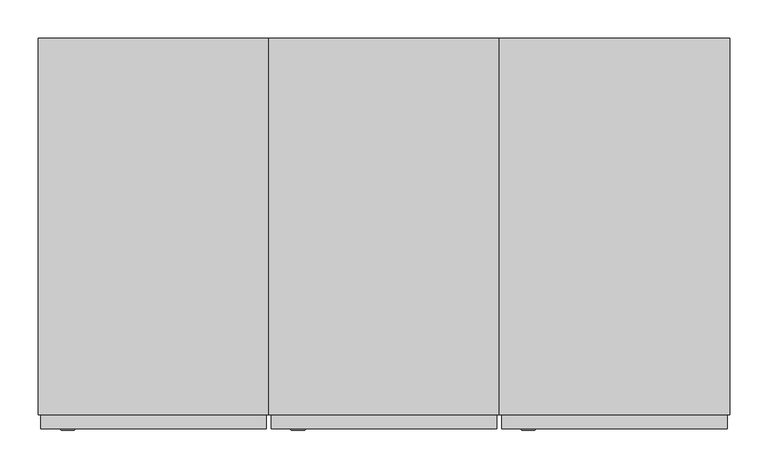
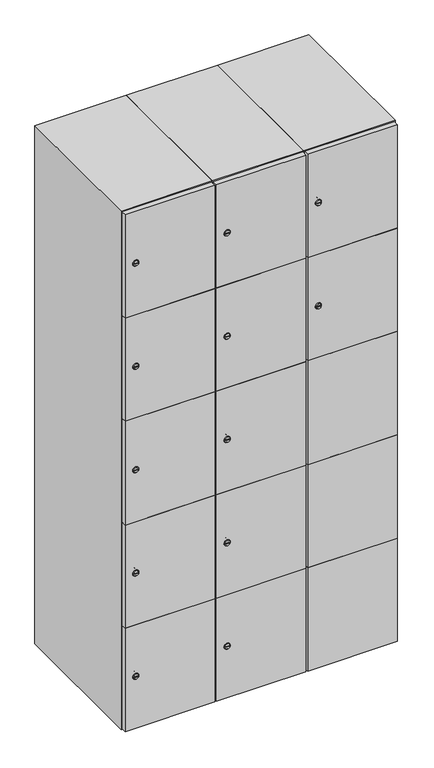
"""IFC4 building model written with IfcOpenShell, lengths in millimetres: furniture geometry."""

from ifc_helpers import new_model, si_unit, point, frame, frame_2d, origin, place, context, project, spatial, polyline, circle_curve, trimmed, segment, composite_curve, outline, extrude, faceted_brep, source, transform, mapped, element, save
from ifc_brep_helpers import plane_surface, revolved_surface, advanced_brep


def furniture_d9d6f1e8(model_context):
    return source(origin(), model_context, "Body", "SolidModel", [
        advanced_brep(
        [(446.5, -265.2, 1358.8), (429.5, -265.2, 1358.8), (433.0, -265.2, 1357.55), (433.0, -265.2, 1360.05), (443.0, -265.2, 1360.05), (443.0, -265.2, 1357.55), (448.5, -263.0, 1358.8), (427.5, -263.0, 1358.8), (433.0, -263.0, 1360.05), (433.0, -263.0, 1357.55), (443.0, -263.0, 1357.55), (443.0, -263.0, 1360.05)],
        [
            (0, 1, circle_curve(frame((438.0, -265.2, 1358.8), z_axis=(0.0, -1.0, 0.0), x_axis=(1.0, 0.0, 0.0)), 8.5)),
            (1, 0, circle_curve(frame((438.0, -265.2, 1358.8), z_axis=(0.0, -1.0, 0.0), x_axis=(-1.0, 0.0, 0.0)), 8.5)),
            (2, 3),
            (3, 4),
            (4, 5),
            (5, 2),
            (6, 7, circle_curve(frame((438.0, -263.0, 1358.8), z_axis=(0.0, 1.0, 0.0), x_axis=(-1.0, 0.0, 0.0)), 10.5)),
            (7, 6, circle_curve(frame((438.0, -263.0, 1358.8), z_axis=(0.0, 1.0, 0.0), x_axis=(1.0, 0.0, 0.0)), 10.5)),
            (8, 9),
            (9, 10),
            (10, 11),
            (11, 8),
            (0, 6),
            (7, 1),
            (8, 3),
            (2, 9),
            (11, 4),
            (10, 5),
        ],
        [
            plane_surface(frame((438.0, -265.2, 1358.8), z_axis=(0.0, -1.0, 0.0), x_axis=(0.0, 0.0, 1.0))),
            plane_surface(frame((438.0, -263.0, 1358.8), z_axis=(0.0, 1.0, 0.0), x_axis=(0.0, 0.0, 1.0))),
            revolved_surface(polyline([(446.5, -265.2, 1358.8), (448.5, -263.0, 1358.8)]), (438.0, -274.55, 1358.8), (0.0, 1.0, 0.0)),
            revolved_surface(polyline([(429.5, -265.2, 1358.8), (427.5, -263.0, 1358.8)]), (438.0, -274.55, 1358.8), (0.0, 1.0, 0.0)),
            plane_surface(frame((433.0, -263.0, 1357.55), z_axis=(1.0, 0.0, 0.0), x_axis=(0.0, -1.0, 0.0))),
            plane_surface(frame((433.0, -263.0, 1360.05), z_axis=(0.0, 0.0, -1.0), x_axis=(0.0, -1.0, 0.0))),
            plane_surface(frame((443.0, -263.0, 1360.05), z_axis=(-1.0, 0.0, 0.0), x_axis=(0.0, -1.0, 0.0))),
            plane_surface(frame((443.0, -263.0, 1357.55), z_axis=(0.0, 0.0, 1.0), x_axis=(0.0, -1.0, 0.0))),
        ],
        [
            (0, [[1, 2], [3, 4, 5, 6]]),
            (1, [[7, 8], [9, 10, 11, 12]]),
            (2, [[-1, 13, -8, 14]]),
            (3, [[-2, -14, -7, -13]]),
            (4, [[15, -3, 16, -9]]),
            (5, [[-15, -12, 17, -4]]),
            (6, [[-17, -11, 18, -5]]),
            (7, [[-16, -6, -18, -10]]),
        ],
    ),
        extrude(outline(composite_curve([segment(trimmed(circle_curve(frame_2d((1717.6, 411.2010534)), 7.0), [point((1724.6, 411.2010534))], [point((1710.6, 411.2010534))], False, "CARTESIAN"), True, "CONTINUOUS"), segment(polyline([(1710.6, 411.2010534), (1710.6, 439.2010534)]), True, "CONTINUOUS"), segment(trimmed(circle_curve(frame_2d((1717.6, 439.2010534)), 7.0), [point((1710.6, 439.2010534))], [point((1724.6, 439.2010534))], False, "CARTESIAN"), True, "CONTINUOUS"), segment(polyline([(1724.6, 439.2010534), (1724.6, 411.2010534)]), True, "CONTINUOUS")], self_intersect=False)), frame((0.0, -245.0, 0.0), z_axis=(0.0, 1.0, 0.0), x_axis=(0.0, 0.0, 1.0)), (0.0, 0.0, 1.0), 2.0),
        advanced_brep(
        [(446.5, -265.2, 1717.6), (429.5, -265.2, 1717.6), (433.0, -265.2, 1716.35), (433.0, -265.2, 1718.85), (443.0, -265.2, 1718.85), (443.0, -265.2, 1716.35), (448.5, -263.0, 1717.6), (427.5, -263.0, 1717.6), (433.0, -263.0, 1718.85), (433.0, -263.0, 1716.35), (443.0, -263.0, 1716.35), (443.0, -263.0, 1718.85)],
        [
            (0, 1, circle_curve(frame((438.0, -265.2, 1717.6), z_axis=(0.0, -1.0, 0.0), x_axis=(1.0, 0.0, 0.0)), 8.5)),
            (1, 0, circle_curve(frame((438.0, -265.2, 1717.6), z_axis=(0.0, -1.0, 0.0), x_axis=(-1.0, 0.0, 0.0)), 8.5)),
            (2, 3),
            (3, 4),
            (4, 5),
            (5, 2),
            (6, 7, circle_curve(frame((438.0, -263.0, 1717.6), z_axis=(0.0, 1.0, 0.0), x_axis=(-1.0, 0.0, 0.0)), 10.5)),
            (7, 6, circle_curve(frame((438.0, -263.0, 1717.6), z_axis=(0.0, 1.0, 0.0), x_axis=(1.0, 0.0, 0.0)), 10.5)),
            (8, 9),
            (9, 10),
            (10, 11),
            (11, 8),
            (0, 6),
            (7, 1),
            (8, 3),
            (2, 9),
            (11, 4),
            (10, 5),
        ],
        [
            plane_surface(frame((438.0, -265.2, 1717.6), z_axis=(0.0, -1.0, 0.0), x_axis=(0.0, 0.0, 1.0))),
            plane_surface(frame((438.0, -263.0, 1717.6), z_axis=(0.0, 1.0, 0.0), x_axis=(0.0, 0.0, 1.0))),
            revolved_surface(polyline([(446.5, -265.2, 1717.6), (448.5, -263.0, 1717.6)]), (438.0, -274.55, 1717.6), (0.0, 1.0, 0.0)),
            revolved_surface(polyline([(429.5, -265.2, 1717.6), (427.5, -263.0, 1717.6)]), (438.0, -274.55, 1717.6), (0.0, 1.0, 0.0)),
            plane_surface(frame((433.0, -263.0, 1716.35), z_axis=(1.0, 0.0, 0.0), x_axis=(0.0, -1.0, 0.0))),
            plane_surface(frame((433.0, -263.0, 1718.85), z_axis=(0.0, 0.0, -1.0), x_axis=(0.0, -1.0, 0.0))),
            plane_surface(frame((443.0, -263.0, 1718.85), z_axis=(-1.0, 0.0, 0.0), x_axis=(0.0, -1.0, 0.0))),
            plane_surface(frame((443.0, -263.0, 1716.35), z_axis=(0.0, 0.0, 1.0), x_axis=(0.0, -1.0, 0.0))),
        ],
        [
            (0, [[1, 2], [3, 4, 5, 6]]),
            (1, [[7, 8], [9, 10, 11, 12]]),
            (2, [[-1, 13, -8, 14]]),
            (3, [[-2, -14, -7, -13]]),
            (4, [[15, -3, 16, -9]]),
            (5, [[-15, -12, 17, -4]]),
            (6, [[-17, -11, 18, -5]]),
            (7, [[-16, -6, -18, -10]]),
        ],
    ),
        extrude(outline(polyline([(697.0, -245.0), (697.0, -263.0), (403.0, -263.0), (403.0, -245.0), (697.0, -245.0)])), frame((0.0, 0.0, 820.1), z_axis=(0.0, 0.0, 1.0), x_axis=(1.0, 0.0, 0.0)), (0.0, 0.0, 1.0), 359.8),
        extrude(outline(polyline([(697.0, -245.0), (697.0, -263.0), (403.0, -263.0), (403.0, -245.0), (697.0, -245.0)])), frame((0.0, 0.0, 461.3), z_axis=(0.0, 0.0, 1.0), x_axis=(1.0, 0.0, 0.0)), (0.0, 0.0, 1.0), 359.8),
        extrude(outline(polyline([(697.0, -245.0), (697.0, -263.0), (403.0, -263.0), (403.0, -245.0), (697.0, -245.0)])), frame((0.0, 0.0, 1178.9), z_axis=(0.0, 0.0, 1.0), x_axis=(1.0, 0.0, 0.0)), (0.0, 0.0, 1.0), 358.8),
        extrude(outline(polyline([(403.0, -263.0), (403.0, -245.0), (697.0, -245.0), (697.0, -263.0), (403.0, -263.0)])), frame((0.0, 0.0, 1538.7), z_axis=(0.0, 0.0, 1.0), x_axis=(1.0, 0.0, 0.0)), (0.0, 0.0, 1.0), 358.3),
        extrude(outline(polyline([(697.0, -245.0), (697.0, -263.0), (403.0, -263.0), (403.0, -245.0), (697.0, -245.0)])), frame((0.0, 0.0, 103.0), z_axis=(0.0, 0.0, 1.0), x_axis=(1.0, 0.0, 0.0)), (0.0, 0.0, 1.0), 359.3),
        extrude(outline(polyline([(682.0, 227.0), (682.0, -227.0), (418.0, -227.0), (418.0, 227.0), (682.0, 227.0)])), frame((0.0, 0.0, 1520.2), z_axis=(0.0, 0.0, 1.0), x_axis=(1.0, 0.0, 0.0)), (0.0, 0.0, 1.0), 18.0),
        extrude(outline(polyline([(682.0, 227.0), (682.0, -227.0), (418.0, -227.0), (418.0, 227.0), (682.0, 227.0)])), frame((0.0, 0.0, 1167.4), z_axis=(0.0, 0.0, 1.0), x_axis=(1.0, 0.0, 0.0)), (0.0, 0.0, 1.0), 18.0),
        extrude(outline(polyline([(682.0, 227.0), (682.0, -227.0), (418.0, -227.0), (418.0, 227.0), (682.0, 227.0)])), frame((0.0, 0.0, 814.6), z_axis=(0.0, 0.0, 1.0), x_axis=(1.0, 0.0, 0.0)), (0.0, 0.0, 1.0), 18.0),
        extrude(outline(polyline([(418.0, 227.0), (682.0, 227.0), (682.0, -227.0), (418.0, -227.0), (418.0, 227.0)])), frame((0.0, 0.0, 461.8), z_axis=(0.0, 0.0, 1.0), x_axis=(1.0, 0.0, 0.0)), (0.0, 0.0, 1.0), 18.0),
        faceted_brep([(700.0, -245.0, 100.0), (700.0, -245.0, 1900.0), (400.0, -245.0, 1900.0), (400.0, -245.0, 100.0), (682.0, -245.0, 1882.0), (682.0, -245.0, 118.0), (418.0, -245.0, 118.0), (418.0, -245.0, 1882.0), (700.0, 245.0, 100.0), (400.0, 245.0, 100.0), (700.0, 245.0, 1900.0), (400.0, 245.0, 1900.0), (682.0, 227.0, 1882.0), (682.0, 227.0, 118.0), (400.0, 245.0, 1882.0), (418.0, 227.0, 1882.0), (418.0, 227.0, 118.0)], [[[0, 1, 2, 3], [4, 5, 6, 7]], [[8, 0, 3, 9]], [[1, 0, 8, 10]], [[1, 10, 11, 2]], [[4, 12, 13, 5]], [[9, 3, 2, 11, 14]], [[10, 8, 9, 14, 11]], [[12, 15, 16, 13]], [[15, 7, 6, 16]], [[4, 7, 15, 12]], [[6, 5, 13, 16]]]),
        extrude(outline(composite_curve([segment(trimmed(circle_curve(frame_2d((282.4, 111.2010534)), 7.0), [point((289.4, 111.2010534))], [point((275.4, 111.2010534))], False, "CARTESIAN"), True, "CONTINUOUS"), segment(polyline([(275.4, 111.2010534), (275.4, 139.2010534)]), True, "CONTINUOUS"), segment(trimmed(circle_curve(frame_2d((282.4, 139.2010534)), 7.0), [point((275.4, 139.2010534))], [point((289.4, 139.2010534))], False, "CARTESIAN"), True, "CONTINUOUS"), segment(polyline([(289.4, 139.2010534), (289.4, 111.2010534)]), True, "CONTINUOUS")], self_intersect=False)), frame((0.0, -245.0, 0.0), z_axis=(0.0, 1.0, 0.0), x_axis=(0.0, 0.0, 1.0)), (0.0, 0.0, 1.0), 2.0),
        advanced_brep(
        [(146.5, -265.2, 282.4), (129.5, -265.2, 282.4), (133.0, -265.2, 281.15), (133.0, -265.2, 283.65), (143.0, -265.2, 283.65), (143.0, -265.2, 281.15), (148.5, -263.0, 282.4), (127.5, -263.0, 282.4), (133.0, -263.0, 283.65), (133.0, -263.0, 281.15), (143.0, -263.0, 281.15), (143.0, -263.0, 283.65)],
        [
            (0, 1, circle_curve(frame((138.0, -265.2, 282.4), z_axis=(0.0, -1.0, 0.0), x_axis=(1.0, 0.0, 0.0)), 8.5)),
            (1, 0, circle_curve(frame((138.0, -265.2, 282.4), z_axis=(0.0, -1.0, 0.0), x_axis=(-1.0, 0.0, 0.0)), 8.5)),
            (2, 3),
            (3, 4),
            (4, 5),
            (5, 2),
            (6, 7, circle_curve(frame((138.0, -263.0, 282.4), z_axis=(0.0, 1.0, 0.0), x_axis=(-1.0, 0.0, 0.0)), 10.5)),
            (7, 6, circle_curve(frame((138.0, -263.0, 282.4), z_axis=(0.0, 1.0, 0.0), x_axis=(1.0, 0.0, 0.0)), 10.5)),
            (8, 9),
            (9, 10),
            (10, 11),
            (11, 8),
            (0, 6),
            (7, 1),
            (8, 3),
            (2, 9),
            (11, 4),
            (10, 5),
        ],
        [
            plane_surface(frame((138.0, -265.2, 282.4), z_axis=(0.0, -1.0, 0.0), x_axis=(0.0, 0.0, 1.0))),
            plane_surface(frame((138.0, -263.0, 282.4), z_axis=(0.0, 1.0, 0.0), x_axis=(0.0, 0.0, 1.0))),
            revolved_surface(polyline([(146.5, -265.2, 282.4), (148.5, -263.0, 282.4)]), (138.0, -274.55, 282.4), (0.0, 1.0, 0.0)),
            revolved_surface(polyline([(129.5, -265.2, 282.4), (127.5, -263.0, 282.4)]), (138.0, -274.55, 282.4), (0.0, 1.0, 0.0)),
            plane_surface(frame((133.0, -263.0, 281.15), z_axis=(1.0, 0.0, 0.0), x_axis=(0.0, -1.0, 0.0))),
            plane_surface(frame((133.0, -263.0, 283.65), z_axis=(0.0, 0.0, -1.0), x_axis=(0.0, -1.0, 0.0))),
            plane_surface(frame((143.0, -263.0, 283.65), z_axis=(-1.0, 0.0, 0.0), x_axis=(0.0, -1.0, 0.0))),
            plane_surface(frame((143.0, -263.0, 281.15), z_axis=(0.0, 0.0, 1.0), x_axis=(0.0, -1.0, 0.0))),
        ],
        [
            (0, [[1, 2], [3, 4, 5, 6]]),
            (1, [[7, 8], [9, 10, 11, 12]]),
            (2, [[-1, 13, -8, 14]]),
            (3, [[-2, -14, -7, -13]]),
            (4, [[15, -3, 16, -9]]),
            (5, [[-15, -12, 17, -4]]),
            (6, [[-17, -11, 18, -5]]),
            (7, [[-16, -6, -18, -10]]),
        ],
    ),
        extrude(outline(composite_curve([segment(trimmed(circle_curve(frame_2d((641.2, 111.2010534)), 7.0), [point((648.2, 111.2010534))], [point((634.2, 111.2010534))], False, "CARTESIAN"), True, "CONTINUOUS"), segment(polyline([(634.2, 111.2010534), (634.2, 139.2010534)]), True, "CONTINUOUS"), segment(trimmed(circle_curve(frame_2d((641.2, 139.2010534)), 7.0), [point((634.2, 139.2010534))], [point((648.2, 139.2010534))], False, "CARTESIAN"), True, "CONTINUOUS"), segment(polyline([(648.2, 139.2010534), (648.2, 111.2010534)]), True, "CONTINUOUS")], self_intersect=False)), frame((0.0, -245.0, 0.0), z_axis=(0.0, 1.0, 0.0), x_axis=(0.0, 0.0, 1.0)), (0.0, 0.0, 1.0), 2.0),
        advanced_brep(
        [(146.5, -265.2, 641.2), (129.5, -265.2, 641.2), (133.0, -265.2, 639.95), (133.0, -265.2, 642.45), (143.0, -265.2, 642.45), (143.0, -265.2, 639.95), (148.5, -263.0, 641.2), (127.5, -263.0, 641.2), (133.0, -263.0, 642.45), (133.0, -263.0, 639.95), (143.0, -263.0, 639.95), (143.0, -263.0, 642.45)],
        [
            (0, 1, circle_curve(frame((138.0, -265.2, 641.2), z_axis=(0.0, -1.0, 0.0), x_axis=(1.0, 0.0, 0.0)), 8.5)),
            (1, 0, circle_curve(frame((138.0, -265.2, 641.2), z_axis=(0.0, -1.0, 0.0), x_axis=(-1.0, 0.0, 0.0)), 8.5)),
            (2, 3),
            (3, 4),
            (4, 5),
            (5, 2),
            (6, 7, circle_curve(frame((138.0, -263.0, 641.2), z_axis=(0.0, 1.0, 0.0), x_axis=(-1.0, 0.0, 0.0)), 10.5)),
            (7, 6, circle_curve(frame((138.0, -263.0, 641.2), z_axis=(0.0, 1.0, 0.0), x_axis=(1.0, 0.0, 0.0)), 10.5)),
            (8, 9),
            (9, 10),
            (10, 11),
            (11, 8),
            (0, 6),
            (7, 1),
            (8, 3),
            (2, 9),
            (11, 4),
            (10, 5),
        ],
        [
            plane_surface(frame((138.0, -265.2, 641.2), z_axis=(0.0, -1.0, 0.0), x_axis=(0.0, 0.0, 1.0))),
            plane_surface(frame((138.0, -263.0, 641.2), z_axis=(0.0, 1.0, 0.0), x_axis=(0.0, 0.0, 1.0))),
            revolved_surface(polyline([(146.5, -265.2, 641.2), (148.5, -263.0, 641.2)]), (138.0, -274.55, 641.2), (0.0, 1.0, 0.0)),
            revolved_surface(polyline([(129.5, -265.2, 641.2), (127.5, -263.0, 641.2)]), (138.0, -274.55, 641.2), (0.0, 1.0, 0.0)),
            plane_surface(frame((133.0, -263.0, 639.95), z_axis=(1.0, 0.0, 0.0), x_axis=(0.0, -1.0, 0.0))),
            plane_surface(frame((133.0, -263.0, 642.45), z_axis=(0.0, 0.0, -1.0), x_axis=(0.0, -1.0, 0.0))),
            plane_surface(frame((143.0, -263.0, 642.45), z_axis=(-1.0, 0.0, 0.0), x_axis=(0.0, -1.0, 0.0))),
            plane_surface(frame((143.0, -263.0, 639.95), z_axis=(0.0, 0.0, 1.0), x_axis=(0.0, -1.0, 0.0))),
        ],
        [
            (0, [[1, 2], [3, 4, 5, 6]]),
            (1, [[7, 8], [9, 10, 11, 12]]),
            (2, [[-1, 13, -8, 14]]),
            (3, [[-2, -14, -7, -13]]),
            (4, [[15, -3, 16, -9]]),
            (5, [[-15, -12, 17, -4]]),
            (6, [[-17, -11, 18, -5]]),
            (7, [[-16, -6, -18, -10]]),
        ],
    ),
        extrude(outline(composite_curve([segment(trimmed(circle_curve(frame_2d((1000.0, 111.2010534)), 7.0), [point((1007.0, 111.2010534))], [point((993.0, 111.2010534))], False, "CARTESIAN"), True, "CONTINUOUS"), segment(polyline([(993.0, 111.2010534), (993.0, 139.2010534)]), True, "CONTINUOUS"), segment(trimmed(circle_curve(frame_2d((1000.0, 139.2010534)), 7.0), [point((993.0, 139.2010534))], [point((1007.0, 139.2010534))], False, "CARTESIAN"), True, "CONTINUOUS"), segment(polyline([(1007.0, 139.2010534), (1007.0, 111.2010534)]), True, "CONTINUOUS")], self_intersect=False)), frame((0.0, -245.0, 0.0), z_axis=(0.0, 1.0, 0.0), x_axis=(0.0, 0.0, 1.0)), (0.0, 0.0, 1.0), 2.0),
        advanced_brep(
        [(146.5, -265.2, 1000.0), (129.5, -265.2, 1000.0), (133.0, -265.2, 998.75), (133.0, -265.2, 1001.25), (143.0, -265.2, 1001.25), (143.0, -265.2, 998.75), (148.5, -263.0, 1000.0), (127.5, -263.0, 1000.0), (133.0, -263.0, 1001.25), (133.0, -263.0, 998.75), (143.0, -263.0, 998.75), (143.0, -263.0, 1001.25)],
        [
            (0, 1, circle_curve(frame((138.0, -265.2, 1000.0), z_axis=(0.0, -1.0, 0.0), x_axis=(1.0, 0.0, 0.0)), 8.5)),
            (1, 0, circle_curve(frame((138.0, -265.2, 1000.0), z_axis=(0.0, -1.0, 0.0), x_axis=(-1.0, 0.0, 0.0)), 8.5)),
            (2, 3),
            (3, 4),
            (4, 5),
            (5, 2),
            (6, 7, circle_curve(frame((138.0, -263.0, 1000.0), z_axis=(0.0, 1.0, 0.0), x_axis=(-1.0, 0.0, 0.0)), 10.5)),
            (7, 6, circle_curve(frame((138.0, -263.0, 1000.0), z_axis=(0.0, 1.0, 0.0), x_axis=(1.0, 0.0, 0.0)), 10.5)),
            (8, 9),
            (9, 10),
            (10, 11),
            (11, 8),
            (0, 6),
            (7, 1),
            (8, 3),
            (2, 9),
            (11, 4),
            (10, 5),
        ],
        [
            plane_surface(frame((138.0, -265.2, 1000.0), z_axis=(0.0, -1.0, 0.0), x_axis=(0.0, 0.0, 1.0))),
            plane_surface(frame((138.0, -263.0, 1000.0), z_axis=(0.0, 1.0, 0.0), x_axis=(0.0, 0.0, 1.0))),
            revolved_surface(polyline([(146.5, -265.2, 1000.0), (148.5, -263.0, 1000.0)]), (138.0, -274.55, 1000.0), (0.0, 1.0, 0.0)),
            revolved_surface(polyline([(129.5, -265.2, 1000.0), (127.5, -263.0, 1000.0)]), (138.0, -274.55, 1000.0), (0.0, 1.0, 0.0)),
            plane_surface(frame((133.0, -263.0, 998.75), z_axis=(1.0, 0.0, 0.0), x_axis=(0.0, -1.0, 0.0))),
            plane_surface(frame((133.0, -263.0, 1001.25), z_axis=(0.0, 0.0, -1.0), x_axis=(0.0, -1.0, 0.0))),
            plane_surface(frame((143.0, -263.0, 1001.25), z_axis=(-1.0, 0.0, 0.0), x_axis=(0.0, -1.0, 0.0))),
            plane_surface(frame((143.0, -263.0, 998.75), z_axis=(0.0, 0.0, 1.0), x_axis=(0.0, -1.0, 0.0))),
        ],
        [
            (0, [[1, 2], [3, 4, 5, 6]]),
            (1, [[7, 8], [9, 10, 11, 12]]),
            (2, [[-1, 13, -8, 14]]),
            (3, [[-2, -14, -7, -13]]),
            (4, [[15, -3, 16, -9]]),
            (5, [[-15, -12, 17, -4]]),
            (6, [[-17, -11, 18, -5]]),
            (7, [[-16, -6, -18, -10]]),
        ],
    ),
        extrude(outline(composite_curve([segment(trimmed(circle_curve(frame_2d((1358.8, 111.2010534)), 7.0), [point((1365.8, 111.2010534))], [point((1351.8, 111.2010534))], False, "CARTESIAN"), True, "CONTINUOUS"), segment(polyline([(1351.8, 111.2010534), (1351.8, 139.2010534)]), True, "CONTINUOUS"), segment(trimmed(circle_curve(frame_2d((1358.8, 139.2010534)), 7.0), [point((1351.8, 139.2010534))], [point((1365.8, 139.2010534))], False, "CARTESIAN"), True, "CONTINUOUS"), segment(polyline([(1365.8, 139.2010534), (1365.8, 111.2010534)]), True, "CONTINUOUS")], self_intersect=False)), frame((0.0, -245.0, 0.0), z_axis=(0.0, 1.0, 0.0), x_axis=(0.0, 0.0, 1.0)), (0.0, 0.0, 1.0), 2.0),
        advanced_brep(
        [(146.5, -265.2, 1358.8), (129.5, -265.2, 1358.8), (133.0, -265.2, 1357.55), (133.0, -265.2, 1360.05), (143.0, -265.2, 1360.05), (143.0, -265.2, 1357.55), (148.5, -263.0, 1358.8), (127.5, -263.0, 1358.8), (133.0, -263.0, 1360.05), (133.0, -263.0, 1357.55), (143.0, -263.0, 1357.55), (143.0, -263.0, 1360.05)],
        [
            (0, 1, circle_curve(frame((138.0, -265.2, 1358.8), z_axis=(0.0, -1.0, 0.0), x_axis=(1.0, 0.0, 0.0)), 8.5)),
            (1, 0, circle_curve(frame((138.0, -265.2, 1358.8), z_axis=(0.0, -1.0, 0.0), x_axis=(-1.0, 0.0, 0.0)), 8.5)),
            (2, 3),
            (3, 4),
            (4, 5),
            (5, 2),
            (6, 7, circle_curve(frame((138.0, -263.0, 1358.8), z_axis=(0.0, 1.0, 0.0), x_axis=(-1.0, 0.0, 0.0)), 10.5)),
            (7, 6, circle_curve(frame((138.0, -263.0, 1358.8), z_axis=(0.0, 1.0, 0.0), x_axis=(1.0, 0.0, 0.0)), 10.5)),
            (8, 9),
            (9, 10),
            (10, 11),
            (11, 8),
            (0, 6),
            (7, 1),
            (8, 3),
            (2, 9),
            (11, 4),
            (10, 5),
        ],
        [
            plane_surface(frame((138.0, -265.2, 1358.8), z_axis=(0.0, -1.0, 0.0), x_axis=(0.0, 0.0, 1.0))),
            plane_surface(frame((138.0, -263.0, 1358.8), z_axis=(0.0, 1.0, 0.0), x_axis=(0.0, 0.0, 1.0))),
            revolved_surface(polyline([(146.5, -265.2, 1358.8), (148.5, -263.0, 1358.8)]), (138.0, -274.55, 1358.8), (0.0, 1.0, 0.0)),
            revolved_surface(polyline([(129.5, -265.2, 1358.8), (127.5, -263.0, 1358.8)]), (138.0, -274.55, 1358.8), (0.0, 1.0, 0.0)),
            plane_surface(frame((133.0, -263.0, 1357.55), z_axis=(1.0, 0.0, 0.0), x_axis=(0.0, -1.0, 0.0))),
            plane_surface(frame((133.0, -263.0, 1360.05), z_axis=(0.0, 0.0, -1.0), x_axis=(0.0, -1.0, 0.0))),
            plane_surface(frame((143.0, -263.0, 1360.05), z_axis=(-1.0, 0.0, 0.0), x_axis=(0.0, -1.0, 0.0))),
            plane_surface(frame((143.0, -263.0, 1357.55), z_axis=(0.0, 0.0, 1.0), x_axis=(0.0, -1.0, 0.0))),
        ],
        [
            (0, [[1, 2], [3, 4, 5, 6]]),
            (1, [[7, 8], [9, 10, 11, 12]]),
            (2, [[-1, 13, -8, 14]]),
            (3, [[-2, -14, -7, -13]]),
            (4, [[15, -3, 16, -9]]),
            (5, [[-15, -12, 17, -4]]),
            (6, [[-17, -11, 18, -5]]),
            (7, [[-16, -6, -18, -10]]),
        ],
    ),
        extrude(outline(composite_curve([segment(trimmed(circle_curve(frame_2d((1717.6, 111.2010534)), 7.0), [point((1724.6, 111.2010534))], [point((1710.6, 111.2010534))], False, "CARTESIAN"), True, "CONTINUOUS"), segment(polyline([(1710.6, 111.2010534), (1710.6, 139.2010534)]), True, "CONTINUOUS"), segment(trimmed(circle_curve(frame_2d((1717.6, 139.2010534)), 7.0), [point((1710.6, 139.2010534))], [point((1724.6, 139.2010534))], False, "CARTESIAN"), True, "CONTINUOUS"), segment(polyline([(1724.6, 139.2010534), (1724.6, 111.2010534)]), True, "CONTINUOUS")], self_intersect=False)), frame((0.0, -245.0, 0.0), z_axis=(0.0, 1.0, 0.0), x_axis=(0.0, 0.0, 1.0)), (0.0, 0.0, 1.0), 2.0),
        advanced_brep(
        [(146.5, -265.2, 1717.6), (129.5, -265.2, 1717.6), (133.0, -265.2, 1716.35), (133.0, -265.2, 1718.85), (143.0, -265.2, 1718.85), (143.0, -265.2, 1716.35), (148.5, -263.0, 1717.6), (127.5, -263.0, 1717.6), (133.0, -263.0, 1718.85), (133.0, -263.0, 1716.35), (143.0, -263.0, 1716.35), (143.0, -263.0, 1718.85)],
        [
            (0, 1, circle_curve(frame((138.0, -265.2, 1717.6), z_axis=(0.0, -1.0, 0.0), x_axis=(1.0, 0.0, 0.0)), 8.5)),
            (1, 0, circle_curve(frame((138.0, -265.2, 1717.6), z_axis=(0.0, -1.0, 0.0), x_axis=(-1.0, 0.0, 0.0)), 8.5)),
            (2, 3),
            (3, 4),
            (4, 5),
            (5, 2),
            (6, 7, circle_curve(frame((138.0, -263.0, 1717.6), z_axis=(0.0, 1.0, 0.0), x_axis=(-1.0, 0.0, 0.0)), 10.5)),
            (7, 6, circle_curve(frame((138.0, -263.0, 1717.6), z_axis=(0.0, 1.0, 0.0), x_axis=(1.0, 0.0, 0.0)), 10.5)),
            (8, 9),
            (9, 10),
            (10, 11),
            (11, 8),
            (0, 6),
            (7, 1),
            (8, 3),
            (2, 9),
            (11, 4),
            (10, 5),
        ],
        [
            plane_surface(frame((138.0, -265.2, 1717.6), z_axis=(0.0, -1.0, 0.0), x_axis=(0.0, 0.0, 1.0))),
            plane_surface(frame((138.0, -263.0, 1717.6), z_axis=(0.0, 1.0, 0.0), x_axis=(0.0, 0.0, 1.0))),
            revolved_surface(polyline([(146.5, -265.2, 1717.6), (148.5, -263.0, 1717.6)]), (138.0, -274.55, 1717.6), (0.0, 1.0, 0.0)),
            revolved_surface(polyline([(129.5, -265.2, 1717.6), (127.5, -263.0, 1717.6)]), (138.0, -274.55, 1717.6), (0.0, 1.0, 0.0)),
            plane_surface(frame((133.0, -263.0, 1716.35), z_axis=(1.0, 0.0, 0.0), x_axis=(0.0, -1.0, 0.0))),
            plane_surface(frame((133.0, -263.0, 1718.85), z_axis=(0.0, 0.0, -1.0), x_axis=(0.0, -1.0, 0.0))),
            plane_surface(frame((143.0, -263.0, 1718.85), z_axis=(-1.0, 0.0, 0.0), x_axis=(0.0, -1.0, 0.0))),
            plane_surface(frame((143.0, -263.0, 1716.35), z_axis=(0.0, 0.0, 1.0), x_axis=(0.0, -1.0, 0.0))),
        ],
        [
            (0, [[1, 2], [3, 4, 5, 6]]),
            (1, [[7, 8], [9, 10, 11, 12]]),
            (2, [[-1, 13, -8, 14]]),
            (3, [[-2, -14, -7, -13]]),
            (4, [[15, -3, 16, -9]]),
            (5, [[-15, -12, 17, -4]]),
            (6, [[-17, -11, 18, -5]]),
            (7, [[-16, -6, -18, -10]]),
        ],
    ),
        extrude(outline(polyline([(397.0, -245.0), (397.0, -263.0), (103.0, -263.0), (103.0, -245.0), (397.0, -245.0)])), frame((0.0, 0.0, 820.1), z_axis=(0.0, 0.0, 1.0), x_axis=(1.0, 0.0, 0.0)), (0.0, 0.0, 1.0), 359.8),
        extrude(outline(polyline([(397.0, -245.0), (397.0, -263.0), (103.0, -263.0), (103.0, -245.0), (397.0, -245.0)])), frame((0.0, 0.0, 461.3), z_axis=(0.0, 0.0, 1.0), x_axis=(1.0, 0.0, 0.0)), (0.0, 0.0, 1.0), 359.8),
        extrude(outline(polyline([(397.0, -245.0), (397.0, -263.0), (103.0, -263.0), (103.0, -245.0), (397.0, -245.0)])), frame((0.0, 0.0, 1178.9), z_axis=(0.0, 0.0, 1.0), x_axis=(1.0, 0.0, 0.0)), (0.0, 0.0, 1.0), 358.8),
        extrude(outline(polyline([(103.0, -263.0), (103.0, -245.0), (397.0, -245.0), (397.0, -263.0), (103.0, -263.0)])), frame((0.0, 0.0, 1538.7), z_axis=(0.0, 0.0, 1.0), x_axis=(1.0, 0.0, 0.0)), (0.0, 0.0, 1.0), 358.3),
        extrude(outline(polyline([(397.0, -245.0), (397.0, -263.0), (103.0, -263.0), (103.0, -245.0), (397.0, -245.0)])), frame((0.0, 0.0, 103.0), z_axis=(0.0, 0.0, 1.0), x_axis=(1.0, 0.0, 0.0)), (0.0, 0.0, 1.0), 359.3),
        extrude(outline(polyline([(382.0, 227.0), (382.0, -227.0), (118.0, -227.0), (118.0, 227.0), (382.0, 227.0)])), frame((0.0, 0.0, 1520.2), z_axis=(0.0, 0.0, 1.0), x_axis=(1.0, 0.0, 0.0)), (0.0, 0.0, 1.0), 18.0),
        extrude(outline(polyline([(382.0, 227.0), (382.0, -227.0), (118.0, -227.0), (118.0, 227.0), (382.0, 227.0)])), frame((0.0, 0.0, 1167.4), z_axis=(0.0, 0.0, 1.0), x_axis=(1.0, 0.0, 0.0)), (0.0, 0.0, 1.0), 18.0),
        extrude(outline(polyline([(382.0, 227.0), (382.0, -227.0), (118.0, -227.0), (118.0, 227.0), (382.0, 227.0)])), frame((0.0, 0.0, 814.6), z_axis=(0.0, 0.0, 1.0), x_axis=(1.0, 0.0, 0.0)), (0.0, 0.0, 1.0), 18.0),
        extrude(outline(polyline([(118.0, 227.0), (382.0, 227.0), (382.0, -227.0), (118.0, -227.0), (118.0, 227.0)])), frame((0.0, 0.0, 461.8), z_axis=(0.0, 0.0, 1.0), x_axis=(1.0, 0.0, 0.0)), (0.0, 0.0, 1.0), 18.0),
        faceted_brep([(400.0, -245.0, 100.0), (400.0, -245.0, 1900.0), (100.0, -245.0, 1900.0), (100.0, -245.0, 100.0), (382.0, -245.0, 1882.0), (382.0, -245.0, 118.0), (118.0, -245.0, 118.0), (118.0, -245.0, 1882.0), (400.0, 245.0, 100.0), (100.0, 245.0, 100.0), (400.0, 245.0, 1900.0), (100.0, 245.0, 1900.0), (382.0, 227.0, 1882.0), (382.0, 227.0, 118.0), (100.0, 245.0, 1882.0), (118.0, 227.0, 1882.0), (118.0, 227.0, 118.0)], [[[0, 1, 2, 3], [4, 5, 6, 7]], [[8, 0, 3, 9]], [[1, 0, 8, 10]], [[1, 10, 11, 2]], [[4, 12, 13, 5]], [[9, 3, 2, 11, 14]], [[10, 8, 9, 14, 11]], [[12, 15, 16, 13]], [[15, 7, 6, 16]], [[4, 7, 15, 12]], [[6, 5, 13, 16]]]),
        extrude(outline(composite_curve([segment(trimmed(circle_curve(frame_2d((282.4, -188.7989466)), 7.0), [point((289.4, -188.7989466))], [point((275.4, -188.7989466))], False, "CARTESIAN"), True, "CONTINUOUS"), segment(polyline([(275.4, -188.7989466), (275.4, -160.7989466)]), True, "CONTINUOUS"), segment(trimmed(circle_curve(frame_2d((282.4, -160.7989466)), 7.0), [point((275.4, -160.7989466))], [point((289.4, -160.7989466))], False, "CARTESIAN"), True, "CONTINUOUS"), segment(polyline([(289.4, -160.7989466), (289.4, -188.7989466)]), True, "CONTINUOUS")], self_intersect=False)), frame((0.0, -245.0, 0.0), z_axis=(0.0, 1.0, 0.0), x_axis=(0.0, 0.0, 1.0)), (0.0, 0.0, 1.0), 2.0),
        advanced_brep(
        [(-153.5, -265.2, 282.4), (-170.5, -265.2, 282.4), (-167.0, -265.2, 281.15), (-167.0, -265.2, 283.65), (-157.0, -265.2, 283.65), (-157.0, -265.2, 281.15), (-151.5, -263.0, 282.4), (-172.5, -263.0, 282.4), (-167.0, -263.0, 283.65), (-167.0, -263.0, 281.15), (-157.0, -263.0, 281.15), (-157.0, -263.0, 283.65)],
        [
            (0, 1, circle_curve(frame((-162.0, -265.2, 282.4), z_axis=(0.0, -1.0, 0.0), x_axis=(1.0, 0.0, 0.0)), 8.5)),
            (1, 0, circle_curve(frame((-162.0, -265.2, 282.4), z_axis=(0.0, -1.0, 0.0), x_axis=(-1.0, 0.0, 0.0)), 8.5)),
            (2, 3),
            (3, 4),
            (4, 5),
            (5, 2),
            (6, 7, circle_curve(frame((-162.0, -263.0, 282.4), z_axis=(0.0, 1.0, 0.0), x_axis=(-1.0, 0.0, 0.0)), 10.5)),
            (7, 6, circle_curve(frame((-162.0, -263.0, 282.4), z_axis=(0.0, 1.0, 0.0), x_axis=(1.0, 0.0, 0.0)), 10.5)),
            (8, 9),
            (9, 10),
            (10, 11),
            (11, 8),
            (0, 6),
            (7, 1),
            (8, 3),
            (2, 9),
            (11, 4),
            (10, 5),
        ],
        [
            plane_surface(frame((-162.0, -265.2, 282.4), z_axis=(0.0, -1.0, 0.0), x_axis=(0.0, 0.0, 1.0))),
            plane_surface(frame((-162.0, -263.0, 282.4), z_axis=(0.0, 1.0, 0.0), x_axis=(0.0, 0.0, 1.0))),
            revolved_surface(polyline([(-153.5, -265.2, 282.4), (-151.5, -263.0, 282.4)]), (-162.0, -274.55, 282.4), (0.0, 1.0, 0.0)),
            revolved_surface(polyline([(-170.5, -265.2, 282.4), (-172.5, -263.0, 282.4)]), (-162.0, -274.55, 282.4), (0.0, 1.0, 0.0)),
            plane_surface(frame((-167.0, -263.0, 281.15), z_axis=(1.0, 0.0, 0.0), x_axis=(0.0, -1.0, 0.0))),
            plane_surface(frame((-167.0, -263.0, 283.65), z_axis=(0.0, 0.0, -1.0), x_axis=(0.0, -1.0, 0.0))),
            plane_surface(frame((-157.0, -263.0, 283.65), z_axis=(-1.0, 0.0, 0.0), x_axis=(0.0, -1.0, 0.0))),
            plane_surface(frame((-157.0, -263.0, 281.15), z_axis=(0.0, 0.0, 1.0), x_axis=(0.0, -1.0, 0.0))),
        ],
        [
            (0, [[1, 2], [3, 4, 5, 6]]),
            (1, [[7, 8], [9, 10, 11, 12]]),
            (2, [[-1, 13, -8, 14]]),
            (3, [[-2, -14, -7, -13]]),
            (4, [[15, -3, 16, -9]]),
            (5, [[-15, -12, 17, -4]]),
            (6, [[-17, -11, 18, -5]]),
            (7, [[-16, -6, -18, -10]]),
        ],
    ),
        extrude(outline(composite_curve([segment(trimmed(circle_curve(frame_2d((641.2, -188.7989466)), 7.0), [point((648.2, -188.7989466))], [point((634.2, -188.7989466))], False, "CARTESIAN"), True, "CONTINUOUS"), segment(polyline([(634.2, -188.7989466), (634.2, -160.7989466)]), True, "CONTINUOUS"), segment(trimmed(circle_curve(frame_2d((641.2, -160.7989466)), 7.0), [point((634.2, -160.7989466))], [point((648.2, -160.7989466))], False, "CARTESIAN"), True, "CONTINUOUS"), segment(polyline([(648.2, -160.7989466), (648.2, -188.7989466)]), True, "CONTINUOUS")], self_intersect=False)), frame((0.0, -245.0, 0.0), z_axis=(0.0, 1.0, 0.0), x_axis=(0.0, 0.0, 1.0)), (0.0, 0.0, 1.0), 2.0),
        advanced_brep(
        [(-153.5, -265.2, 641.2), (-170.5, -265.2, 641.2), (-167.0, -265.2, 639.95), (-167.0, -265.2, 642.45), (-157.0, -265.2, 642.45), (-157.0, -265.2, 639.95), (-151.5, -263.0, 641.2), (-172.5, -263.0, 641.2), (-167.0, -263.0, 642.45), (-167.0, -263.0, 639.95), (-157.0, -263.0, 639.95), (-157.0, -263.0, 642.45)],
        [
            (0, 1, circle_curve(frame((-162.0, -265.2, 641.2), z_axis=(0.0, -1.0, 0.0), x_axis=(1.0, 0.0, 0.0)), 8.5)),
            (1, 0, circle_curve(frame((-162.0, -265.2, 641.2), z_axis=(0.0, -1.0, 0.0), x_axis=(-1.0, 0.0, 0.0)), 8.5)),
            (2, 3),
            (3, 4),
            (4, 5),
            (5, 2),
            (6, 7, circle_curve(frame((-162.0, -263.0, 641.2), z_axis=(0.0, 1.0, 0.0), x_axis=(-1.0, 0.0, 0.0)), 10.5)),
            (7, 6, circle_curve(frame((-162.0, -263.0, 641.2), z_axis=(0.0, 1.0, 0.0), x_axis=(1.0, 0.0, 0.0)), 10.5)),
            (8, 9),
            (9, 10),
            (10, 11),
            (11, 8),
            (0, 6),
            (7, 1),
            (8, 3),
            (2, 9),
            (11, 4),
            (10, 5),
        ],
        [
            plane_surface(frame((-162.0, -265.2, 641.2), z_axis=(0.0, -1.0, 0.0), x_axis=(0.0, 0.0, 1.0))),
            plane_surface(frame((-162.0, -263.0, 641.2), z_axis=(0.0, 1.0, 0.0), x_axis=(0.0, 0.0, 1.0))),
            revolved_surface(polyline([(-153.5, -265.2, 641.2), (-151.5, -263.0, 641.2)]), (-162.0, -274.55, 641.2), (0.0, 1.0, 0.0)),
            revolved_surface(polyline([(-170.5, -265.2, 641.2), (-172.5, -263.0, 641.2)]), (-162.0, -274.55, 641.2), (0.0, 1.0, 0.0)),
            plane_surface(frame((-167.0, -263.0, 639.95), z_axis=(1.0, 0.0, 0.0), x_axis=(0.0, -1.0, 0.0))),
            plane_surface(frame((-167.0, -263.0, 642.45), z_axis=(0.0, 0.0, -1.0), x_axis=(0.0, -1.0, 0.0))),
            plane_surface(frame((-157.0, -263.0, 642.45), z_axis=(-1.0, 0.0, 0.0), x_axis=(0.0, -1.0, 0.0))),
            plane_surface(frame((-157.0, -263.0, 639.95), z_axis=(0.0, 0.0, 1.0), x_axis=(0.0, -1.0, 0.0))),
        ],
        [
            (0, [[1, 2], [3, 4, 5, 6]]),
            (1, [[7, 8], [9, 10, 11, 12]]),
            (2, [[-1, 13, -8, 14]]),
            (3, [[-2, -14, -7, -13]]),
            (4, [[15, -3, 16, -9]]),
            (5, [[-15, -12, 17, -4]]),
            (6, [[-17, -11, 18, -5]]),
            (7, [[-16, -6, -18, -10]]),
        ],
    ),
        extrude(outline(composite_curve([segment(trimmed(circle_curve(frame_2d((1000.0, -188.7989466)), 7.0), [point((1007.0, -188.7989466))], [point((993.0, -188.7989466))], False, "CARTESIAN"), True, "CONTINUOUS"), segment(polyline([(993.0, -188.7989466), (993.0, -160.7989466)]), True, "CONTINUOUS"), segment(trimmed(circle_curve(frame_2d((1000.0, -160.7989466)), 7.0), [point((993.0, -160.7989466))], [point((1007.0, -160.7989466))], False, "CARTESIAN"), True, "CONTINUOUS"), segment(polyline([(1007.0, -160.7989466), (1007.0, -188.7989466)]), True, "CONTINUOUS")], self_intersect=False)), frame((0.0, -245.0, 0.0), z_axis=(0.0, 1.0, 0.0), x_axis=(0.0, 0.0, 1.0)), (0.0, 0.0, 1.0), 2.0),
        advanced_brep(
        [(-153.5, -265.2, 1000.0), (-170.5, -265.2, 1000.0), (-167.0, -265.2, 998.75), (-167.0, -265.2, 1001.25), (-157.0, -265.2, 1001.25), (-157.0, -265.2, 998.75), (-151.5, -263.0, 1000.0), (-172.5, -263.0, 1000.0), (-167.0, -263.0, 1001.25), (-167.0, -263.0, 998.75), (-157.0, -263.0, 998.75), (-157.0, -263.0, 1001.25)],
        [
            (0, 1, circle_curve(frame((-162.0, -265.2, 1000.0), z_axis=(0.0, -1.0, 0.0), x_axis=(1.0, 0.0, 0.0)), 8.5)),
            (1, 0, circle_curve(frame((-162.0, -265.2, 1000.0), z_axis=(0.0, -1.0, 0.0), x_axis=(-1.0, 0.0, 0.0)), 8.5)),
            (2, 3),
            (3, 4),
            (4, 5),
            (5, 2),
            (6, 7, circle_curve(frame((-162.0, -263.0, 1000.0), z_axis=(0.0, 1.0, 0.0), x_axis=(-1.0, 0.0, 0.0)), 10.5)),
            (7, 6, circle_curve(frame((-162.0, -263.0, 1000.0), z_axis=(0.0, 1.0, 0.0), x_axis=(1.0, 0.0, 0.0)), 10.5)),
            (8, 9),
            (9, 10),
            (10, 11),
            (11, 8),
            (0, 6),
            (7, 1),
            (8, 3),
            (2, 9),
            (11, 4),
            (10, 5),
        ],
        [
            plane_surface(frame((-162.0, -265.2, 1000.0), z_axis=(0.0, -1.0, 0.0), x_axis=(0.0, 0.0, 1.0))),
            plane_surface(frame((-162.0, -263.0, 1000.0), z_axis=(0.0, 1.0, 0.0), x_axis=(0.0, 0.0, 1.0))),
            revolved_surface(polyline([(-153.5, -265.2, 1000.0), (-151.5, -263.0, 1000.0)]), (-162.0, -274.55, 1000.0), (0.0, 1.0, 0.0)),
            revolved_surface(polyline([(-170.5, -265.2, 1000.0), (-172.5, -263.0, 1000.0)]), (-162.0, -274.55, 1000.0), (0.0, 1.0, 0.0)),
            plane_surface(frame((-167.0, -263.0, 998.75), z_axis=(1.0, 0.0, 0.0), x_axis=(0.0, -1.0, 0.0))),
            plane_surface(frame((-167.0, -263.0, 1001.25), z_axis=(0.0, 0.0, -1.0), x_axis=(0.0, -1.0, 0.0))),
            plane_surface(frame((-157.0, -263.0, 1001.25), z_axis=(-1.0, 0.0, 0.0), x_axis=(0.0, -1.0, 0.0))),
            plane_surface(frame((-157.0, -263.0, 998.75), z_axis=(0.0, 0.0, 1.0), x_axis=(0.0, -1.0, 0.0))),
        ],
        [
            (0, [[1, 2], [3, 4, 5, 6]]),
            (1, [[7, 8], [9, 10, 11, 12]]),
            (2, [[-1, 13, -8, 14]]),
            (3, [[-2, -14, -7, -13]]),
            (4, [[15, -3, 16, -9]]),
            (5, [[-15, -12, 17, -4]]),
            (6, [[-17, -11, 18, -5]]),
            (7, [[-16, -6, -18, -10]]),
        ],
    ),
        extrude(outline(composite_curve([segment(trimmed(circle_curve(frame_2d((1358.8, -188.7989466)), 7.0), [point((1365.8, -188.7989466))], [point((1351.8, -188.7989466))], False, "CARTESIAN"), True, "CONTINUOUS"), segment(polyline([(1351.8, -188.7989466), (1351.8, -160.7989466)]), True, "CONTINUOUS"), segment(trimmed(circle_curve(frame_2d((1358.8, -160.7989466)), 7.0), [point((1351.8, -160.7989466))], [point((1365.8, -160.7989466))], False, "CARTESIAN"), True, "CONTINUOUS"), segment(polyline([(1365.8, -160.7989466), (1365.8, -188.7989466)]), True, "CONTINUOUS")], self_intersect=False)), frame((0.0, -245.0, 0.0), z_axis=(0.0, 1.0, 0.0), x_axis=(0.0, 0.0, 1.0)), (0.0, 0.0, 1.0), 2.0),
        advanced_brep(
        [(-153.5, -265.2, 1358.8), (-170.5, -265.2, 1358.8), (-167.0, -265.2, 1357.55), (-167.0, -265.2, 1360.05), (-157.0, -265.2, 1360.05), (-157.0, -265.2, 1357.55), (-151.5, -263.0, 1358.8), (-172.5, -263.0, 1358.8), (-167.0, -263.0, 1360.05), (-167.0, -263.0, 1357.55), (-157.0, -263.0, 1357.55), (-157.0, -263.0, 1360.05)],
        [
            (0, 1, circle_curve(frame((-162.0, -265.2, 1358.8), z_axis=(0.0, -1.0, 0.0), x_axis=(1.0, 0.0, 0.0)), 8.5)),
            (1, 0, circle_curve(frame((-162.0, -265.2, 1358.8), z_axis=(0.0, -1.0, 0.0), x_axis=(-1.0, 0.0, 0.0)), 8.5)),
            (2, 3),
            (3, 4),
            (4, 5),
            (5, 2),
            (6, 7, circle_curve(frame((-162.0, -263.0, 1358.8), z_axis=(0.0, 1.0, 0.0), x_axis=(-1.0, 0.0, 0.0)), 10.5)),
            (7, 6, circle_curve(frame((-162.0, -263.0, 1358.8), z_axis=(0.0, 1.0, 0.0), x_axis=(1.0, 0.0, 0.0)), 10.5)),
            (8, 9),
            (9, 10),
            (10, 11),
            (11, 8),
            (0, 6),
            (7, 1),
            (8, 3),
            (2, 9),
            (11, 4),
            (10, 5),
        ],
        [
            plane_surface(frame((-162.0, -265.2, 1358.8), z_axis=(0.0, -1.0, 0.0), x_axis=(0.0, 0.0, 1.0))),
            plane_surface(frame((-162.0, -263.0, 1358.8), z_axis=(0.0, 1.0, 0.0), x_axis=(0.0, 0.0, 1.0))),
            revolved_surface(polyline([(-153.5, -265.2, 1358.8), (-151.5, -263.0, 1358.8)]), (-162.0, -274.55, 1358.8), (0.0, 1.0, 0.0)),
            revolved_surface(polyline([(-170.5, -265.2, 1358.8), (-172.5, -263.0, 1358.8)]), (-162.0, -274.55, 1358.8), (0.0, 1.0, 0.0)),
            plane_surface(frame((-167.0, -263.0, 1357.55), z_axis=(1.0, 0.0, 0.0), x_axis=(0.0, -1.0, 0.0))),
            plane_surface(frame((-167.0, -263.0, 1360.05), z_axis=(0.0, 0.0, -1.0), x_axis=(0.0, -1.0, 0.0))),
            plane_surface(frame((-157.0, -263.0, 1360.05), z_axis=(-1.0, 0.0, 0.0), x_axis=(0.0, -1.0, 0.0))),
            plane_surface(frame((-157.0, -263.0, 1357.55), z_axis=(0.0, 0.0, 1.0), x_axis=(0.0, -1.0, 0.0))),
        ],
        [
            (0, [[1, 2], [3, 4, 5, 6]]),
            (1, [[7, 8], [9, 10, 11, 12]]),
            (2, [[-1, 13, -8, 14]]),
            (3, [[-2, -14, -7, -13]]),
            (4, [[15, -3, 16, -9]]),
            (5, [[-15, -12, 17, -4]]),
            (6, [[-17, -11, 18, -5]]),
            (7, [[-16, -6, -18, -10]]),
        ],
    ),
        extrude(outline(composite_curve([segment(trimmed(circle_curve(frame_2d((1717.6, -188.7989466)), 7.0), [point((1724.6, -188.7989466))], [point((1710.6, -188.7989466))], False, "CARTESIAN"), True, "CONTINUOUS"), segment(polyline([(1710.6, -188.7989466), (1710.6, -160.7989466)]), True, "CONTINUOUS"), segment(trimmed(circle_curve(frame_2d((1717.6, -160.7989466)), 7.0), [point((1710.6, -160.7989466))], [point((1724.6, -160.7989466))], False, "CARTESIAN"), True, "CONTINUOUS"), segment(polyline([(1724.6, -160.7989466), (1724.6, -188.7989466)]), True, "CONTINUOUS")], self_intersect=False)), frame((0.0, -245.0, 0.0), z_axis=(0.0, 1.0, 0.0), x_axis=(0.0, 0.0, 1.0)), (0.0, 0.0, 1.0), 2.0),
        advanced_brep(
        [(-153.5, -265.2, 1717.6), (-170.5, -265.2, 1717.6), (-167.0, -265.2, 1716.35), (-167.0, -265.2, 1718.85), (-157.0, -265.2, 1718.85), (-157.0, -265.2, 1716.35), (-151.5, -263.0, 1717.6), (-172.5, -263.0, 1717.6), (-167.0, -263.0, 1718.85), (-167.0, -263.0, 1716.35), (-157.0, -263.0, 1716.35), (-157.0, -263.0, 1718.85)],
        [
            (0, 1, circle_curve(frame((-162.0, -265.2, 1717.6), z_axis=(0.0, -1.0, 0.0), x_axis=(1.0, 0.0, 0.0)), 8.5)),
            (1, 0, circle_curve(frame((-162.0, -265.2, 1717.6), z_axis=(0.0, -1.0, 0.0), x_axis=(-1.0, 0.0, 0.0)), 8.5)),
            (2, 3),
            (3, 4),
            (4, 5),
            (5, 2),
            (6, 7, circle_curve(frame((-162.0, -263.0, 1717.6), z_axis=(0.0, 1.0, 0.0), x_axis=(-1.0, 0.0, 0.0)), 10.5)),
            (7, 6, circle_curve(frame((-162.0, -263.0, 1717.6), z_axis=(0.0, 1.0, 0.0), x_axis=(1.0, 0.0, 0.0)), 10.5)),
            (8, 9),
            (9, 10),
            (10, 11),
            (11, 8),
            (0, 6),
            (7, 1),
            (8, 3),
            (2, 9),
            (11, 4),
            (10, 5),
        ],
        [
            plane_surface(frame((-162.0, -265.2, 1717.6), z_axis=(0.0, -1.0, 0.0), x_axis=(0.0, 0.0, 1.0))),
            plane_surface(frame((-162.0, -263.0, 1717.6), z_axis=(0.0, 1.0, 0.0), x_axis=(0.0, 0.0, 1.0))),
            revolved_surface(polyline([(-153.5, -265.2, 1717.6), (-151.5, -263.0, 1717.6)]), (-162.0, -274.55, 1717.6), (0.0, 1.0, 0.0)),
            revolved_surface(polyline([(-170.5, -265.2, 1717.6), (-172.5, -263.0, 1717.6)]), (-162.0, -274.55, 1717.6), (0.0, 1.0, 0.0)),
            plane_surface(frame((-167.0, -263.0, 1716.35), z_axis=(1.0, 0.0, 0.0), x_axis=(0.0, -1.0, 0.0))),
            plane_surface(frame((-167.0, -263.0, 1718.85), z_axis=(0.0, 0.0, -1.0), x_axis=(0.0, -1.0, 0.0))),
            plane_surface(frame((-157.0, -263.0, 1718.85), z_axis=(-1.0, 0.0, 0.0), x_axis=(0.0, -1.0, 0.0))),
            plane_surface(frame((-157.0, -263.0, 1716.35), z_axis=(0.0, 0.0, 1.0), x_axis=(0.0, -1.0, 0.0))),
        ],
        [
            (0, [[1, 2], [3, 4, 5, 6]]),
            (1, [[7, 8], [9, 10, 11, 12]]),
            (2, [[-1, 13, -8, 14]]),
            (3, [[-2, -14, -7, -13]]),
            (4, [[15, -3, 16, -9]]),
            (5, [[-15, -12, 17, -4]]),
            (6, [[-17, -11, 18, -5]]),
            (7, [[-16, -6, -18, -10]]),
        ],
    ),
        extrude(outline(polyline([(97.0, -245.0), (97.0, -263.0), (-197.0, -263.0), (-197.0, -245.0), (97.0, -245.0)])), frame((0.0, 0.0, 820.1), z_axis=(0.0, 0.0, 1.0), x_axis=(1.0, 0.0, 0.0)), (0.0, 0.0, 1.0), 359.8),
        extrude(outline(polyline([(97.0, -245.0), (97.0, -263.0), (-197.0, -263.0), (-197.0, -245.0), (97.0, -245.0)])), frame((0.0, 0.0, 461.3), z_axis=(0.0, 0.0, 1.0), x_axis=(1.0, 0.0, 0.0)), (0.0, 0.0, 1.0), 359.8),
        extrude(outline(polyline([(97.0, -245.0), (97.0, -263.0), (-197.0, -263.0), (-197.0, -245.0), (97.0, -245.0)])), frame((0.0, 0.0, 1178.9), z_axis=(0.0, 0.0, 1.0), x_axis=(1.0, 0.0, 0.0)), (0.0, 0.0, 1.0), 358.8),
        extrude(outline(polyline([(-197.0, -263.0), (-197.0, -245.0), (97.0, -245.0), (97.0, -263.0), (-197.0, -263.0)])), frame((0.0, 0.0, 1538.7), z_axis=(0.0, 0.0, 1.0), x_axis=(1.0, 0.0, 0.0)), (0.0, 0.0, 1.0), 358.3),
        extrude(outline(polyline([(97.0, -245.0), (97.0, -263.0), (-197.0, -263.0), (-197.0, -245.0), (97.0, -245.0)])), frame((0.0, 0.0, 103.0), z_axis=(0.0, 0.0, 1.0), x_axis=(1.0, 0.0, 0.0)), (0.0, 0.0, 1.0), 359.3),
        extrude(outline(polyline([(82.0, 227.0), (82.0, -227.0), (-182.0, -227.0), (-182.0, 227.0), (82.0, 227.0)])), frame((0.0, 0.0, 1520.2), z_axis=(0.0, 0.0, 1.0), x_axis=(1.0, 0.0, 0.0)), (0.0, 0.0, 1.0), 18.0),
        extrude(outline(polyline([(82.0, 227.0), (82.0, -227.0), (-182.0, -227.0), (-182.0, 227.0), (82.0, 227.0)])), frame((0.0, 0.0, 1167.4), z_axis=(0.0, 0.0, 1.0), x_axis=(1.0, 0.0, 0.0)), (0.0, 0.0, 1.0), 18.0),
        extrude(outline(polyline([(82.0, 227.0), (82.0, -227.0), (-182.0, -227.0), (-182.0, 227.0), (82.0, 227.0)])), frame((0.0, 0.0, 814.6), z_axis=(0.0, 0.0, 1.0), x_axis=(1.0, 0.0, 0.0)), (0.0, 0.0, 1.0), 18.0),
        extrude(outline(polyline([(-182.0, 227.0), (82.0, 227.0), (82.0, -227.0), (-182.0, -227.0), (-182.0, 227.0)])), frame((0.0, 0.0, 461.8), z_axis=(0.0, 0.0, 1.0), x_axis=(1.0, 0.0, 0.0)), (0.0, 0.0, 1.0), 18.0),
        faceted_brep([(100.0, -245.0, 100.0), (100.0, -245.0, 1900.0), (-200.0, -245.0, 1900.0), (-200.0, -245.0, 100.0), (82.0, -245.0, 1882.0), (82.0, -245.0, 118.0), (-182.0, -245.0, 118.0), (-182.0, -245.0, 1882.0), (100.0, 245.0, 100.0), (-200.0, 245.0, 100.0), (100.0, 245.0, 1900.0), (-200.0, 245.0, 1900.0), (82.0, 227.0, 1882.0), (82.0, 227.0, 118.0), (-200.0, 245.0, 1882.0), (-182.0, 227.0, 1882.0), (-182.0, 227.0, 118.0)], [[[0, 1, 2, 3], [4, 5, 6, 7]], [[8, 0, 3, 9]], [[1, 0, 8, 10]], [[1, 10, 11, 2]], [[4, 12, 13, 5]], [[9, 3, 2, 11, 14]], [[10, 8, 9, 14, 11]], [[12, 15, 16, 13]], [[15, 7, 6, 16]], [[4, 7, 15, 12]], [[6, 5, 13, 16]]]),
    ])


if __name__ == "__main__":
    model = new_model("IFC4")
    model_context = context("Model", 3, world=origin())
    ifc_project = project(units=[si_unit("LENGTHUNIT", "METRE", prefix="MILLI")], contexts=[model_context])
    site = spatial("IfcSite", under=ifc_project)
    building = spatial("IfcBuilding", under=site)
    placement = place(None, origin())
    furniture_shape = furniture_d9d6f1e8(model_context)
    element("IfcFurniture", 1, at=placement, inside=building, context=model_context, shape_type="MappedRepresentation", body=[
        mapped(furniture_shape, transform((0.0, 0.0, 0.0), x_axis=(1.0, 0.0, 0.0), y_axis=(0.0, 1.0, 0.0), z_axis=(0.0, 0.0, 1.0))),
    ])
    save(model, "model.ifc")
